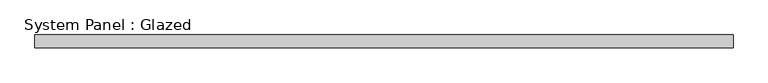
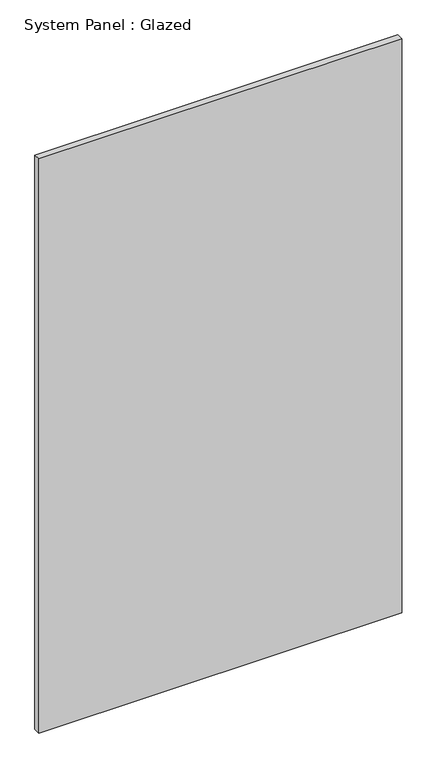
"""IFC4 building model written with IfcOpenShell, lengths in millimetres: plate geometry, System Panel : Glazed."""

import ifcopenshell
import ifcopenshell.guid

model = None  # the IFC model being written
_history = None  # IfcOwnerHistory: only IFC2X3 demands one
_inside = {}  # id of a spatial element -> (the spatial element, [elements in it])
_under = {}  # id of a project, library or spatial element -> (it, [spatial elements below it])
_declared = {}  # id of a project -> (the project, [libraries it declares])
_typed = {}  # id of a type object -> (the type object, [elements of that type])
_made_of = {}  # id of a material, layer set ... -> (it, [elements and type objects made of it])


def new_model(schema):
    """Start an empty IFC model of exactly this schema.

    Asked for "IFC4X3", IfcOpenShell would pick the latest addendum, in which some entities
    have other attributes; the version numbers below select the first issue.
    IFC2X3 requires an IfcOwnerHistory on every rooted entity: one is made here for all.
    """
    global model, _history
    if schema == "IFC4X3":
        model = ifcopenshell.file(schema_version=(4, 3, 0, 0))
    else:
        model = ifcopenshell.file(schema=schema)
    _inside.clear()
    _under.clear()
    _declared.clear()
    _typed.clear()
    _made_of.clear()
    _history = None
    if model.schema == "IFC2X3":
        org = make("IfcOrganization", Name="unknown")
        user = make(
            "IfcPersonAndOrganization",
            ThePerson=make("IfcPerson", FamilyName="unknown"),
            TheOrganization=org,
        )
        app = make(
            "IfcApplication",
            ApplicationDeveloper=org,
            Version="unknown",
            ApplicationFullName="unknown",
            ApplicationIdentifier="unknown",
        )
        _history = make(
            "IfcOwnerHistory",
            OwningUser=user,
            OwningApplication=app,
            ChangeAction="ADDED",
            CreationDate=0,
        )
    return model


def make(cls, **values):
    """One entity of the class cls with the attributes given. An attribute that is None is left unset."""
    return model.create_entity(
        cls, **{name: value for name, value in values.items() if value is not None}
    )


def rooted(cls, **values):
    """An entity with a GlobalId (a new one), such as an element, a storey or a relation."""
    return make(cls, GlobalId=ifcopenshell.guid.new(), OwnerHistory=_history, **values)


def si_unit(unit_type, name, prefix=None):
    """IfcSIUnit, for example si_unit("LENGTHUNIT", "METRE", prefix="MILLI")."""
    return make("IfcSIUnit", UnitType=unit_type, Prefix=prefix, Name=name)


def assignment(units):
    """IfcUnitAssignment: the units of a project."""
    return None if units is None else make("IfcUnitAssignment", Units=units)


def point(xyz):
    """IfcCartesianPoint."""
    return None if xyz is None else make("IfcCartesianPoint", Coordinates=xyz)


def direction(xyz):
    """IfcDirection."""
    return None if xyz is None else make("IfcDirection", DirectionRatios=xyz)


def frame(location, z_axis=None, x_axis=None):
    """IfcAxis2Placement3D, a coordinate frame: its origin and axes. An axis left out is left unset."""
    return make(
        "IfcAxis2Placement3D",
        Location=point(location),
        Axis=direction(z_axis),
        RefDirection=direction(x_axis),
    )


def origin():
    """The frame at (0, 0, 0) with its axes left unset."""
    return frame((0.0, 0.0, 0.0))


def origin_with_axes():
    """The frame at (0, 0, 0) with the z axis (0, 0, 1) and the x axis (1, 0, 0) written out."""
    return frame((0.0, 0.0, 0.0), z_axis=(0.0, 0.0, 1.0), x_axis=(1.0, 0.0, 0.0))


def place(relative_to, where):
    """IfcLocalPlacement: puts the frame where relative to a parent placement (None: the world)."""
    return make(
        "IfcLocalPlacement", PlacementRelTo=relative_to, RelativePlacement=where
    )


def context(
    kind, dimensions, precision=None, world=None, true_north=None, identifier=None
):
    """IfcGeometricRepresentationContext, for example the 3D "Model" context."""
    return make(
        "IfcGeometricRepresentationContext",
        ContextIdentifier=identifier,
        ContextType=kind,
        CoordinateSpaceDimension=dimensions,
        Precision=precision,
        WorldCoordinateSystem=world,
        TrueNorth=true_north,
    )


def project(units=None, contexts=None):
    """IfcProject with its units and contexts."""
    return rooted(
        "IfcProject",
        Name="project",
        RepresentationContexts=contexts,
        UnitsInContext=assignment(units),
    )


def spatial(cls, under=None, at=None, **own):
    """A site, building, storey or space (cls), placed at a placement, below another one or the project."""
    s = rooted(cls, ObjectPlacement=at, **own)
    if under is not None:
        _under.setdefault(under.id(), (under, []))[1].append(s)
    return s


def polyline(points):
    """IfcPolyline through the points."""
    return make("IfcPolyline", Points=[point(p) for p in points])


def outline(outer, holes=None, kind="AREA"):
    """IfcArbitraryClosedProfileDef: a profile drawn as a closed curve; with holes, ...WithVoids."""
    if holes is None:
        return make("IfcArbitraryClosedProfileDef", ProfileType=kind, OuterCurve=outer)
    return make(
        "IfcArbitraryProfileDefWithVoids",
        ProfileType=kind,
        OuterCurve=outer,
        InnerCurves=holes,
    )


def extrude(swept, where, along, depth):
    """IfcExtrudedAreaSolid: the profile swept, set in the frame where, extruded along a direction by depth."""
    return make(
        "IfcExtrudedAreaSolid",
        SweptArea=swept,
        Position=where,
        ExtrudedDirection=direction(along),
        Depth=depth,
    )


def shape(context_of_items, identifier, shape_type, items):
    """IfcShapeRepresentation: the items that make up one representation, for example the "Body"."""
    return make(
        "IfcShapeRepresentation",
        ContextOfItems=context_of_items,
        RepresentationIdentifier=identifier,
        RepresentationType=shape_type,
        Items=items,
    )


def source(mapping_origin, context_of_items, identifier, shape_type, items):
    """IfcRepresentationMap: a shape defined once, which mapped items show again and again."""
    return make(
        "IfcRepresentationMap",
        MappingOrigin=mapping_origin,
        MappedRepresentation=shape(context_of_items, identifier, shape_type, items),
    )


def transform(
    local_origin,
    x_axis=None,
    y_axis=None,
    z_axis=None,
    scale=None,
    scale2=None,
    scale3=None,
    uniform=True,
):
    """IfcCartesianTransformationOperator3D, or its non-uniform kind. x_axis, y_axis, z_axis: its Axis1, 2, 3."""
    if uniform:
        return make(
            "IfcCartesianTransformationOperator3D",
            Axis1=direction(x_axis),
            Axis2=direction(y_axis),
            LocalOrigin=point(local_origin),
            Scale=scale,
            Axis3=direction(z_axis),
        )
    return make(
        "IfcCartesianTransformationOperator3DnonUniform",
        Axis1=direction(x_axis),
        Axis2=direction(y_axis),
        LocalOrigin=point(local_origin),
        Scale=scale,
        Axis3=direction(z_axis),
        Scale2=scale2,
        Scale3=scale3,
    )


def mapped(mapping_source, mapping_target):
    """IfcMappedItem: shows the shape of a source again, moved by a transform."""
    return make(
        "IfcMappedItem", MappingSource=mapping_source, MappingTarget=mapping_target
    )


def made_of(thing, what):
    """Note that an element or type object is made of a material, layer set ...; save() writes the relation."""
    if what is not None:
        _made_of.setdefault(what.id(), (what, []))[1].append(thing)
    return thing


def element(
    cls,
    number,
    at=None,
    inside=None,
    cuts=None,
    type_object=None,
    material=None,
    context=None,
    identifier="Body",
    shape_type=None,
    held_by="IfcProductDefinitionShape",
    body=None,
    shapes=None,
    **own,
):
    """One element of the class cls, such as IfcWall. Its Tag is "e" and its number.

    at: its placement. inside: the storey or other place that contains it. cuts: it is an
    opening in that element (IfcRelVoidsElement). A single representation is given by context,
    identifier, shape_type and body (its items); several are given by shapes. held_by: the class
    of the entity that holds the representations. save() writes the other relations.
    """
    e = rooted(cls, Tag="e%d" % number, ObjectPlacement=at, **own)
    if body is not None:
        shapes = [shape(context, identifier, shape_type, body)]
    if shapes is not None:
        e.Representation = make(held_by, Representations=shapes)
    if inside is not None:
        _inside.setdefault(inside.id(), (inside, []))[1].append(e)
    if cuts is not None:
        rooted(
            "IfcRelVoidsElement", RelatingBuildingElement=cuts, RelatedOpeningElement=e
        )
    if type_object is not None:
        _typed.setdefault(type_object.id(), (type_object, []))[1].append(e)
    return made_of(e, material)


def aggregate(whole, parts):
    """IfcRelAggregates: a whole, such as a stair, and the parts it consists of."""
    return rooted("IfcRelAggregates", RelatingObject=whole, RelatedObjects=parts)


def save(model, path):
    """Write the relations noted so far, then the file.

    IfcRelAggregates (storeys below a building ...), IfcRelContainedInSpatialStructure (elements
    in a storey), IfcRelDefinesByType, IfcRelAssociatesMaterial and IfcRelDeclares: one each for
    every whole, place, type object, material and project.
    """
    for whole, parts in _under.values():
        aggregate(whole, parts)
    for where, things in _inside.values():
        rooted(
            "IfcRelContainedInSpatialStructure",
            RelatedElements=things,
            RelatingStructure=where,
        )
    for kind, things in _typed.values():
        rooted("IfcRelDefinesByType", RelatedObjects=things, RelatingType=kind)
    for what, things in _made_of.values():
        rooted("IfcRelAssociatesMaterial", RelatedObjects=things, RelatingMaterial=what)
    for by, libraries in _declared.values():
        rooted("IfcRelDeclares", RelatingContext=by, RelatedDefinitions=libraries)
    model.write(path)


def system_panel_glazed_f22f366a(model_context):
    return source(origin(), model_context, "Body", "SweptSolid", [
        extrude(outline(polyline([(700.6166666, 19.05), (-700.6166666, 19.05), (-700.6166666, 44.45), (700.6166666, 44.45), (700.6166666, 19.05)])), origin_with_axes(), (0.0, 0.0, 1.0), 2343.15),
    ])


if __name__ == "__main__":
    model = new_model("IFC4")
    model_context = context("Model", 3, world=origin())
    ifc_project = project(units=[si_unit("LENGTHUNIT", "METRE", prefix="MILLI")], contexts=[model_context])
    site = spatial("IfcSite", under=ifc_project)
    building = spatial("IfcBuilding", under=site)
    placement = place(None, origin())
    system_panel_glazed_shape = system_panel_glazed_f22f366a(model_context)
    element("IfcPlate", 1, ObjectType="System Panel : Glazed", at=placement, inside=building, context=model_context, shape_type="MappedRepresentation", body=[
        mapped(system_panel_glazed_shape, transform((0.0, 0.0, 0.0), x_axis=(1.0, 0.0, 0.0), y_axis=(0.0, 1.0, 0.0), z_axis=(0.0, 0.0, 1.0))),
    ])
    save(model, "model.ifc")
